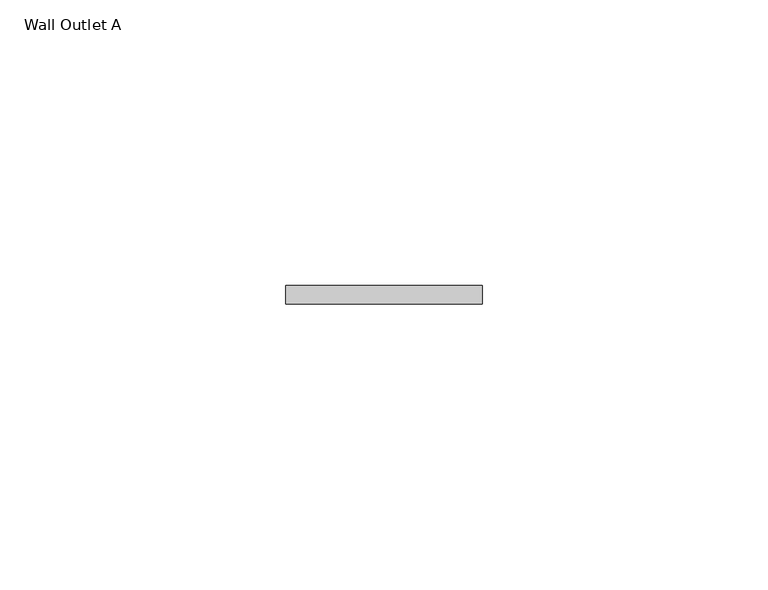
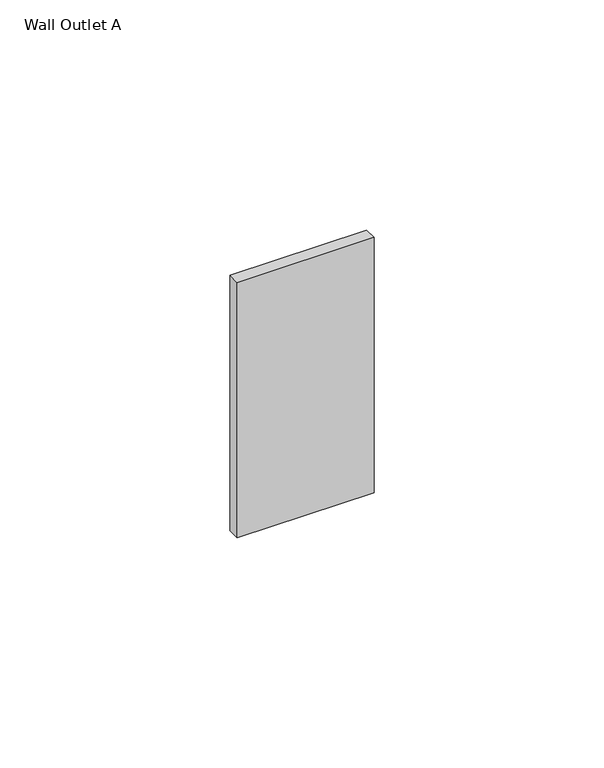
"""IFC4 building model written with IfcOpenShell, lengths in millimetres: furniture geometry, Wall Outlet A."""

import ifcopenshell
import ifcopenshell.guid

model = None  # the IFC model being written
_history = None  # IfcOwnerHistory: only IFC2X3 demands one
_inside = {}  # id of a spatial element -> (the spatial element, [elements in it])
_under = {}  # id of a project, library or spatial element -> (it, [spatial elements below it])
_declared = {}  # id of a project -> (the project, [libraries it declares])
_typed = {}  # id of a type object -> (the type object, [elements of that type])
_made_of = {}  # id of a material, layer set ... -> (it, [elements and type objects made of it])


def new_model(schema):
    """Start an empty IFC model of exactly this schema.

    Asked for "IFC4X3", IfcOpenShell would pick the latest addendum, in which some entities
    have other attributes; the version numbers below select the first issue.
    IFC2X3 requires an IfcOwnerHistory on every rooted entity: one is made here for all.
    """
    global model, _history
    if schema == "IFC4X3":
        model = ifcopenshell.file(schema_version=(4, 3, 0, 0))
    else:
        model = ifcopenshell.file(schema=schema)
    _inside.clear()
    _under.clear()
    _declared.clear()
    _typed.clear()
    _made_of.clear()
    _history = None
    if model.schema == "IFC2X3":
        org = make("IfcOrganization", Name="unknown")
        user = make(
            "IfcPersonAndOrganization",
            ThePerson=make("IfcPerson", FamilyName="unknown"),
            TheOrganization=org,
        )
        app = make(
            "IfcApplication",
            ApplicationDeveloper=org,
            Version="unknown",
            ApplicationFullName="unknown",
            ApplicationIdentifier="unknown",
        )
        _history = make(
            "IfcOwnerHistory",
            OwningUser=user,
            OwningApplication=app,
            ChangeAction="ADDED",
            CreationDate=0,
        )
    return model


def make(cls, **values):
    """One entity of the class cls with the attributes given. An attribute that is None is left unset."""
    return model.create_entity(
        cls, **{name: value for name, value in values.items() if value is not None}
    )


def rooted(cls, **values):
    """An entity with a GlobalId (a new one), such as an element, a storey or a relation."""
    return make(cls, GlobalId=ifcopenshell.guid.new(), OwnerHistory=_history, **values)


def si_unit(unit_type, name, prefix=None):
    """IfcSIUnit, for example si_unit("LENGTHUNIT", "METRE", prefix="MILLI")."""
    return make("IfcSIUnit", UnitType=unit_type, Prefix=prefix, Name=name)


def assignment(units):
    """IfcUnitAssignment: the units of a project."""
    return None if units is None else make("IfcUnitAssignment", Units=units)


def point(xyz):
    """IfcCartesianPoint."""
    return None if xyz is None else make("IfcCartesianPoint", Coordinates=xyz)


def direction(xyz):
    """IfcDirection."""
    return None if xyz is None else make("IfcDirection", DirectionRatios=xyz)


def frame(location, z_axis=None, x_axis=None):
    """IfcAxis2Placement3D, a coordinate frame: its origin and axes. An axis left out is left unset."""
    return make(
        "IfcAxis2Placement3D",
        Location=point(location),
        Axis=direction(z_axis),
        RefDirection=direction(x_axis),
    )


def origin():
    """The frame at (0, 0, 0) with its axes left unset."""
    return frame((0.0, 0.0, 0.0))


def place(relative_to, where):
    """IfcLocalPlacement: puts the frame where relative to a parent placement (None: the world)."""
    return make(
        "IfcLocalPlacement", PlacementRelTo=relative_to, RelativePlacement=where
    )


def context(
    kind, dimensions, precision=None, world=None, true_north=None, identifier=None
):
    """IfcGeometricRepresentationContext, for example the 3D "Model" context."""
    return make(
        "IfcGeometricRepresentationContext",
        ContextIdentifier=identifier,
        ContextType=kind,
        CoordinateSpaceDimension=dimensions,
        Precision=precision,
        WorldCoordinateSystem=world,
        TrueNorth=true_north,
    )


def project(units=None, contexts=None):
    """IfcProject with its units and contexts."""
    return rooted(
        "IfcProject",
        Name="project",
        RepresentationContexts=contexts,
        UnitsInContext=assignment(units),
    )


def spatial(cls, under=None, at=None, **own):
    """A site, building, storey or space (cls), placed at a placement, below another one or the project."""
    s = rooted(cls, ObjectPlacement=at, **own)
    if under is not None:
        _under.setdefault(under.id(), (under, []))[1].append(s)
    return s


def polyline(points):
    """IfcPolyline through the points."""
    return make("IfcPolyline", Points=[point(p) for p in points])


def outline(outer, holes=None, kind="AREA"):
    """IfcArbitraryClosedProfileDef: a profile drawn as a closed curve; with holes, ...WithVoids."""
    if holes is None:
        return make("IfcArbitraryClosedProfileDef", ProfileType=kind, OuterCurve=outer)
    return make(
        "IfcArbitraryProfileDefWithVoids",
        ProfileType=kind,
        OuterCurve=outer,
        InnerCurves=holes,
    )


def extrude(swept, where, along, depth):
    """IfcExtrudedAreaSolid: the profile swept, set in the frame where, extruded along a direction by depth."""
    return make(
        "IfcExtrudedAreaSolid",
        SweptArea=swept,
        Position=where,
        ExtrudedDirection=direction(along),
        Depth=depth,
    )


def shape(context_of_items, identifier, shape_type, items):
    """IfcShapeRepresentation: the items that make up one representation, for example the "Body"."""
    return make(
        "IfcShapeRepresentation",
        ContextOfItems=context_of_items,
        RepresentationIdentifier=identifier,
        RepresentationType=shape_type,
        Items=items,
    )


def source(mapping_origin, context_of_items, identifier, shape_type, items):
    """IfcRepresentationMap: a shape defined once, which mapped items show again and again."""
    return make(
        "IfcRepresentationMap",
        MappingOrigin=mapping_origin,
        MappedRepresentation=shape(context_of_items, identifier, shape_type, items),
    )


def transform(
    local_origin,
    x_axis=None,
    y_axis=None,
    z_axis=None,
    scale=None,
    scale2=None,
    scale3=None,
    uniform=True,
):
    """IfcCartesianTransformationOperator3D, or its non-uniform kind. x_axis, y_axis, z_axis: its Axis1, 2, 3."""
    if uniform:
        return make(
            "IfcCartesianTransformationOperator3D",
            Axis1=direction(x_axis),
            Axis2=direction(y_axis),
            LocalOrigin=point(local_origin),
            Scale=scale,
            Axis3=direction(z_axis),
        )
    return make(
        "IfcCartesianTransformationOperator3DnonUniform",
        Axis1=direction(x_axis),
        Axis2=direction(y_axis),
        LocalOrigin=point(local_origin),
        Scale=scale,
        Axis3=direction(z_axis),
        Scale2=scale2,
        Scale3=scale3,
    )


def mapped(mapping_source, mapping_target):
    """IfcMappedItem: shows the shape of a source again, moved by a transform."""
    return make(
        "IfcMappedItem", MappingSource=mapping_source, MappingTarget=mapping_target
    )


def made_of(thing, what):
    """Note that an element or type object is made of a material, layer set ...; save() writes the relation."""
    if what is not None:
        _made_of.setdefault(what.id(), (what, []))[1].append(thing)
    return thing


def element(
    cls,
    number,
    at=None,
    inside=None,
    cuts=None,
    type_object=None,
    material=None,
    context=None,
    identifier="Body",
    shape_type=None,
    held_by="IfcProductDefinitionShape",
    body=None,
    shapes=None,
    **own,
):
    """One element of the class cls, such as IfcWall. Its Tag is "e" and its number.

    at: its placement. inside: the storey or other place that contains it. cuts: it is an
    opening in that element (IfcRelVoidsElement). A single representation is given by context,
    identifier, shape_type and body (its items); several are given by shapes. held_by: the class
    of the entity that holds the representations. save() writes the other relations.
    """
    e = rooted(cls, Tag="e%d" % number, ObjectPlacement=at, **own)
    if body is not None:
        shapes = [shape(context, identifier, shape_type, body)]
    if shapes is not None:
        e.Representation = make(held_by, Representations=shapes)
    if inside is not None:
        _inside.setdefault(inside.id(), (inside, []))[1].append(e)
    if cuts is not None:
        rooted(
            "IfcRelVoidsElement", RelatingBuildingElement=cuts, RelatedOpeningElement=e
        )
    if type_object is not None:
        _typed.setdefault(type_object.id(), (type_object, []))[1].append(e)
    return made_of(e, material)


def aggregate(whole, parts):
    """IfcRelAggregates: a whole, such as a stair, and the parts it consists of."""
    return rooted("IfcRelAggregates", RelatingObject=whole, RelatedObjects=parts)


def save(model, path):
    """Write the relations noted so far, then the file.

    IfcRelAggregates (storeys below a building ...), IfcRelContainedInSpatialStructure (elements
    in a storey), IfcRelDefinesByType, IfcRelAssociatesMaterial and IfcRelDeclares: one each for
    every whole, place, type object, material and project.
    """
    for whole, parts in _under.values():
        aggregate(whole, parts)
    for where, things in _inside.values():
        rooted(
            "IfcRelContainedInSpatialStructure",
            RelatedElements=things,
            RelatingStructure=where,
        )
    for kind, things in _typed.values():
        rooted("IfcRelDefinesByType", RelatedObjects=things, RelatingType=kind)
    for what, things in _made_of.values():
        rooted("IfcRelAssociatesMaterial", RelatedObjects=things, RelatingMaterial=what)
    for by, libraries in _declared.values():
        rooted("IfcRelDeclares", RelatingContext=by, RelatedDefinitions=libraries)
    model.write(path)


def wall_outlet_a_e81748f8(model_context):
    return source(origin(), model_context, "Body", "SweptSolid", [
        extrude(outline(polyline([(17.1449995, -3.1750001), (-17.1449995, -3.1750001), (-17.1449995, 0.0), (17.1449995, 0.0), (17.1449995, -3.1750001)])), frame((0.0, 0.0, -33.8454995), z_axis=(0.0, 0.0, 1.0), x_axis=(1.0, 0.0, 0.0)), (0.0, 0.0, 1.0), 67.690999),
    ])


if __name__ == "__main__":
    model = new_model("IFC4")
    model_context = context("Model", 3, world=origin())
    ifc_project = project(units=[si_unit("LENGTHUNIT", "METRE", prefix="MILLI")], contexts=[model_context])
    site = spatial("IfcSite", under=ifc_project)
    building = spatial("IfcBuilding", under=site)
    placement = place(None, origin())
    wall_outlet_a_shape = wall_outlet_a_e81748f8(model_context)
    element("IfcFurniture", 1, ObjectType="Wall Outlet A", at=placement, inside=building, context=model_context, shape_type="MappedRepresentation", body=[
        mapped(wall_outlet_a_shape, transform((0.0, 0.0, 0.0), x_axis=(1.0, 0.0, 0.0), y_axis=(0.0, 1.0, 0.0), z_axis=(0.0, 0.0, 1.0))),
    ])
    save(model, "model.ifc")
